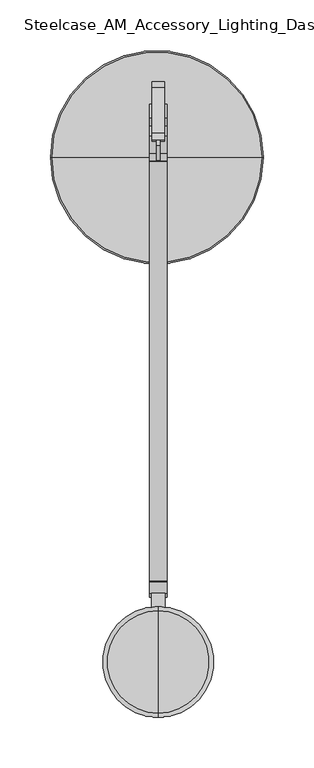
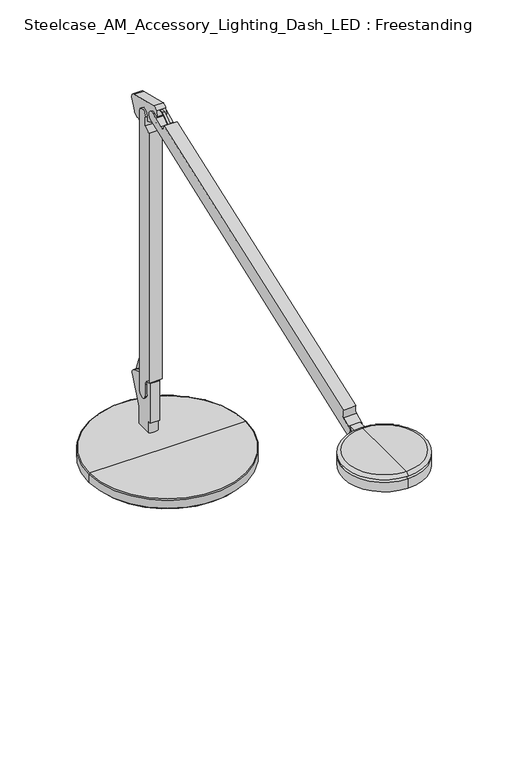
"""IFC4 building model written with IfcOpenShell, lengths in millimetres: furniture geometry, Steelcase_AM_Accessory_Lighting_Dash_LED : Freestanding."""

from ifc_helpers import new_model, si_unit, point, frame, frame_2d, origin, place, context, project, spatial, polyline, circle_curve, ellipse_curve, trimmed, segment, composite_curve, outline, extrude, source, transform, mapped, element, save
from ifc_brep_helpers import plane_surface, cylinder_surface, revolved_surface, advanced_brep


def steelcase_am_accessory_lighting_dash_led_freestanding_17da7cd2(model_context):
    return source(origin(), model_context, "Body", "SolidModel", [
        advanced_brep(
        [(-1.3138173, -113.7487958, 886.9665244), (102.5340827, -113.7487958, 886.9665244), (-105.1617173, -113.7487958, 886.9665244), (-94.3930875, -113.7487958, 868.0005821), (91.7654529, -113.7487958, 868.0005821), (-1.3138173, -113.7487958, 868.0005821), (-94.3930875, -113.7487958, 868.9041479), (91.7654529, -113.7487958, 868.9041479), (-97.207805, -113.7487958, 868.9041479), (94.5801703, -113.7487958, 868.9041479), (-103.7438291, -113.7487958, 871.8141733), (101.1161944, -113.7487958, 871.8141733), (-103.7438291, -113.7487958, 874.6475244), (101.1161944, -113.7487958, 874.6475244), (-106.6446817, -113.7487958, 874.6475244), (104.017047, -113.7487958, 874.6475244), (-106.6446817, -113.7487958, 885.4835601), (104.017047, -113.7487958, 885.4835601)],
        [
            (0, 1),
            (1, 2, circle_curve(frame((-1.3138173, -113.7487958, 886.9665244), z_axis=(0.0, 0.0, 1.0), x_axis=(1.0, 0.0, 0.0)), 103.8479)),
            (2, 0),
            (2, 1, circle_curve(frame((-1.3138173, -113.7487958, 886.9665244), z_axis=(0.0, 0.0, 1.0), x_axis=(1.0, 0.0, 0.0)), 103.8479)),
            (3, 4, circle_curve(frame((-1.3138173, -113.7487958, 868.0005821), z_axis=(0.0, 0.0, -1.0), x_axis=(1.0, 0.0, 0.0)), 93.0792702)),
            (4, 5),
            (5, 3),
            (4, 3, circle_curve(frame((-1.3138173, -113.7487958, 868.0005821), z_axis=(0.0, 0.0, -1.0), x_axis=(1.0, 0.0, 0.0)), 93.0792702)),
            (6, 7, circle_curve(frame((-1.3138173, -113.7487958, 868.9041479), z_axis=(0.0, 0.0, -1.0), x_axis=(1.0, 0.0, 0.0)), 93.0792702)),
            (7, 4),
            (3, 6),
            (7, 6, circle_curve(frame((-1.3138173, -113.7487958, 868.9041479), z_axis=(0.0, 0.0, -1.0), x_axis=(1.0, 0.0, 0.0)), 93.0792702)),
            (8, 9, circle_curve(frame((-1.3138173, -113.7487958, 868.9041479), z_axis=(0.0, 0.0, -1.0), x_axis=(1.0, 0.0, 0.0)), 95.8939876)),
            (9, 7),
            (6, 8),
            (9, 8, circle_curve(frame((-1.3138173, -113.7487958, 868.9041479), z_axis=(0.0, 0.0, -1.0), x_axis=(1.0, 0.0, 0.0)), 95.8939876)),
            (10, 11, circle_curve(frame((-1.3138173, -113.7487958, 871.8141733), z_axis=(0.0, 0.0, -1.0), x_axis=(1.0, 0.0, 0.0)), 102.4300117)),
            (11, 9),
            (8, 10),
            (11, 10, circle_curve(frame((-1.3138173, -113.7487958, 871.8141733), z_axis=(0.0, 0.0, -1.0), x_axis=(1.0, 0.0, 0.0)), 102.4300117)),
            (12, 13, circle_curve(frame((-1.3138173, -113.7487958, 874.6475244), z_axis=(0.0, 0.0, -1.0), x_axis=(1.0, 0.0, 0.0)), 102.4300117)),
            (13, 11),
            (10, 12),
            (13, 12, circle_curve(frame((-1.3138173, -113.7487958, 874.6475244), z_axis=(0.0, 0.0, -1.0), x_axis=(1.0, 0.0, 0.0)), 102.4300117)),
            (14, 15, circle_curve(frame((-1.3138173, -113.7487958, 874.6475244), z_axis=(0.0, 0.0, -1.0), x_axis=(1.0, 0.0, 0.0)), 105.3308643)),
            (15, 13),
            (12, 14),
            (15, 14, circle_curve(frame((-1.3138173, -113.7487958, 874.6475244), z_axis=(0.0, 0.0, -1.0), x_axis=(1.0, 0.0, 0.0)), 105.3308643)),
            (16, 17, circle_curve(frame((-1.3138173, -113.7487958, 885.4835601), z_axis=(0.0, 0.0, -1.0), x_axis=(1.0, 0.0, 0.0)), 105.3308643)),
            (17, 15),
            (14, 16),
            (17, 16, circle_curve(frame((-1.3138173, -113.7487958, 885.4835601), z_axis=(0.0, 0.0, -1.0), x_axis=(1.0, 0.0, 0.0)), 105.3308643)),
            (1, 17, circle_curve(frame((102.5340827, -113.7487958, 885.4835601), z_axis=(0.0, 1.0, 0.0), x_axis=(1.0, 0.0, 0.0)), 1.4829643)),
            (16, 2, circle_curve(frame((-105.1617173, -113.7487958, 885.4835601), z_axis=(0.0, 1.0, 0.0), x_axis=(-1.0, 0.0, 0.0)), 1.4829643)),
        ],
        [
            plane_surface(frame((-1.3138173, -113.7487958, 886.9665244), z_axis=(0.0, 0.0, 1.0), x_axis=(1.0, 0.0, 0.0))),
            plane_surface(frame((-1.3138173, -113.7487958, 868.0005821), z_axis=(0.0, 0.0, -1.0), x_axis=(1.0, 0.0, 0.0))),
            cylinder_surface(frame((-1.3138173, -113.7487958, 893.3165244), z_axis=(0.0, 0.0, 1.0), x_axis=(1.0, 0.0, 0.0)), 93.0792702),
            plane_surface(frame((-1.3138173, -113.7487958, 868.9041479), z_axis=(0.0, 0.0, -1.0), x_axis=(1.0, 0.0, 0.0))),
            revolved_surface(polyline([(94.5801703, -113.7487958, 868.9041479), (101.1161944, -113.7487958, 871.8141733)]), (-1.3138173, -113.7487958, 893.3165244), (0.0, 0.0, 1.0)),
            cylinder_surface(frame((-1.3138173, -113.7487958, 893.3165244), z_axis=(0.0, 0.0, 1.0), x_axis=(1.0, 0.0, 0.0)), 102.4300117),
            plane_surface(frame((-1.3138173, -113.7487958, 874.6475244), z_axis=(0.0, 0.0, -1.0), x_axis=(1.0, 0.0, 0.0))),
            cylinder_surface(frame((-1.3138173, -113.7487958, 893.3165244), z_axis=(0.0, 0.0, 1.0), x_axis=(1.0, 0.0, 0.0)), 105.3308643),
            revolved_surface(trimmed(ellipse_curve(frame((102.5340827, -113.7487958, 885.4835601), z_axis=(0.0, -1.0, 0.0), x_axis=(1.0, 0.0, 0.0)), 1.4829643, 1.4829643), [point((104.017047, -113.7487958, 885.4835601))], [point((102.5340827, -113.7487958, 886.9665244))], True, "CARTESIAN"), (-1.3138173, -113.7487958, 893.3165244), (0.0, 0.0, 1.0)),
        ],
        [
            (0, [[1, 2, 3]]),
            (0, [[-3, 4, -1]]),
            (1, [[5, 6, 7]]),
            (1, [[8, -7, -6]]),
            (2, [[9, 10, -5, 11]]),
            (2, [[12, -11, -8, -10]]),
            (3, [[13, 14, -9, 15]]),
            (3, [[16, -15, -12, -14]]),
            (4, [[17, 18, -13, 19]]),
            (4, [[20, -19, -16, -18]]),
            (5, [[21, 22, -17, 23]]),
            (5, [[24, -23, -20, -22]]),
            (6, [[25, 26, -21, 27]]),
            (6, [[28, -27, -24, -26]]),
            (7, [[29, 30, -25, 31]]),
            (7, [[32, -31, -28, -30]]),
            (8, [[-2, 33, -29, 34]]),
            (8, [[-4, -34, -32, -33]]),
        ],
    ),
        advanced_brep(
        [(-2.7205732, -60.6970314, 1280.5232085), (1.9785586, -60.6970314, 1280.5232085), (1.9175158, -71.5963661, 1280.5232085), (5.0673235, -71.5963661, 1280.5232085), (5.0673235, -60.0819526, 1280.5232085), (-5.7601194, -60.0819526, 1280.5232085), (-5.8093381, -71.5963661, 1280.5232085), (-2.6601118, -71.5963661, 1280.5232085), (-2.7205732, -60.6970314, 990.8676868), (-2.6601118, -71.5963661, 990.8676868), (-5.8093381, -71.5963661, 990.8676868), (-5.8093381, -60.0724751, 990.8676868), (5.0673235, -60.0819526, 990.8676868), (5.0673235, -71.5963661, 990.8676868), (1.9175158, -71.5963661, 990.8676868), (1.9785586, -60.6970314, 990.8676868)],
        [
            (0, 1, circle_curve(frame((-0.3710073, -60.6970314, 1280.5232085), z_axis=(0.0, 0.0, -1.0), x_axis=(1.0, 0.0, 0.0)), 2.3495659)),
            (1, 2),
            (2, 3),
            (3, 4),
            (4, 5, circle_curve(frame((-0.3463979, -60.0819526, 1280.5232085), z_axis=(0.0, 0.0, 1.0), x_axis=(1.0, 0.0, 0.0)), 5.4137215)),
            (5, 6),
            (6, 7),
            (7, 0),
            (8, 9),
            (9, 10),
            (10, 11),
            (11, 12, circle_curve(frame((-0.3463979, -60.0819526, 990.8676868), z_axis=(0.0, 0.0, -1.0), x_axis=(1.0, 0.0, 0.0)), 5.4137215)),
            (12, 13),
            (13, 14),
            (14, 15),
            (15, 8, circle_curve(frame((-0.3710073, -60.6970314, 990.8676868), z_axis=(0.0, 0.0, 1.0), x_axis=(1.0, 0.0, 0.0)), 2.3495659)),
            (0, 8),
            (15, 1),
            (14, 2),
            (13, 3),
            (12, 4),
            (11, 5),
            (10, 6),
            (9, 7),
        ],
        [
            plane_surface(frame((1.9785586, -60.6970314, 1280.5232085), z_axis=(0.0, 0.0, 1.0), x_axis=(0.0, -1.0, 0.0))),
            plane_surface(frame((1.9785586, -60.6970314, 990.8676868), z_axis=(0.0, 0.0, -1.0), x_axis=(0.0, 1.0, 0.0))),
            revolved_surface(polyline([(1.9785586, -60.6970314, 990.8676868), (1.9785586, -60.6970314, 1280.5232085)]), (-0.3710073, -60.6970314, 990.8676868), (0.0, 0.0, -1.0)),
            plane_surface(frame((1.9785586, -60.6970314, 1280.5232085), z_axis=(-0.9999843170233393, 0.005600509563017414, 0.0), x_axis=(0.0, 0.0, -1.0))),
            plane_surface(frame((1.9175158, -71.5963661, 1280.5232085), z_axis=(0.0, -1.0, 0.0), x_axis=(0.0, 0.0, -1.0))),
            plane_surface(frame((5.0673235, -71.5963661, 1280.5232085), z_axis=(1.0, 0.0, 0.0), x_axis=(0.0, 0.0, -1.0))),
            cylinder_surface(frame((-0.3463979, -60.0819526, 990.8676868), z_axis=(0.0, 0.0, 1.0), x_axis=(1.0, 0.0, 0.0)), 5.4137215),
            plane_surface(frame((-5.8093381, -60.0724751, 1280.5232085), z_axis=(-1.0, 0.0, 0.0), x_axis=(0.0, 0.0, -1.0))),
            plane_surface(frame((-5.8093381, -71.5963661, 1280.5232085), z_axis=(0.0, -1.0, 0.0), x_axis=(0.0, 0.0, -1.0))),
            plane_surface(frame((-2.6601118, -71.5963661, 1280.5232085), z_axis=(0.999984614317351, 0.005547173025869674, 0.0), x_axis=(0.0, 0.0, -1.0))),
        ],
        [
            (0, [[1, 2, 3, 4, 5, 6, 7, 8]]),
            (1, [[9, 10, 11, 12, 13, 14, 15, 16]]),
            (2, [[-1, 17, -16, 18]]),
            (3, [[-2, -18, -15, 19]]),
            (4, [[-3, -19, -14, 20]]),
            (5, [[-4, -20, -13, 21]]),
            (6, [[-5, -21, -12, 22]]),
            (7, [[-6, -22, -11, 23]]),
            (8, [[-7, -23, -10, 24]]),
            (9, [[-8, -24, -9, -17]]),
        ],
    ),
        extrude(outline(polyline([(-65.3863553, 990.8120404), (-55.2886405, 990.8120404), (-41.2982154, 953.7822512), (-51.1981926, 954.4889668), (-65.3863553, 990.8120404)])), frame((-1.518321, 0.0, 0.0), z_axis=(1.0, 0.0, 0.0), x_axis=(0.0, 1.0, 0.0)), (0.0, 0.0, 1.0), 2.3620651),
        extrude(outline(polyline([(-57.0984138, 1319.5276591), (-45.5921394, 1322.2234247), (-55.5386253, 1280.5232085), (-65.5891746, 1280.5232085), (-57.0984138, 1319.5276591)])), frame((-1.518321, 0.0, 0.0), z_axis=(1.0, 0.0, 0.0), x_axis=(0.0, 1.0, 0.0)), (0.0, 0.0, 1.0), 2.3620651),
        extrude(outline(polyline([(-81.1968025, 1351.4679697), (-81.1968025, 1350.5047095), (-101.2218133, 1351.2039983), (-127.6570142, 1332.6938714), (-128.4530492, 1333.4899064), (-101.7525568, 1352.1857924), (-81.1968025, 1351.4679697)])), frame((-1.518321, 0.0, 0.0), z_axis=(1.0, 0.0, 0.0), x_axis=(0.0, 1.0, 0.0)), (0.0, 0.0, 1.0), 3.042321),
        extrude(outline(composite_curve([segment(polyline([(-74.5648093, 937.0886966), (-73.9866456, 953.6451374)]), True, "CONTINUOUS"), segment(trimmed(circle_curve(frame_2d((-81.5292112, 953.9085296)), 7.5471631), [point((-73.9866456, 953.6451374))], [point((-81.5292112, 961.4556927))], True, "CARTESIAN"), True, "CONTINUOUS"), segment(polyline([(-81.5292112, 961.4556927), (-83.5101738, 961.4556927), (-83.5101738, 1314.3379447)]), True, "CONTINUOUS"), segment(trimmed(circle_curve(frame_2d((-83.6122872, 1324.9350648)), 10.5976121), [point((-83.5101738, 1314.3379447))], [point((-74.6876907, 1319.220088))], True, "CARTESIAN"), True, "CONTINUOUS"), segment(polyline([(-74.6876907, 1319.220088), (-74.6876907, 1331.2392366)]), True, "CONTINUOUS"), segment(trimmed(circle_curve(frame_2d((-68.1653332, 1332.5632566)), 6.6553871), [point((-74.6876907, 1331.2392366))], [point((-61.6429756, 1331.2392366))], False, "CARTESIAN"), True, "CONTINUOUS"), segment(polyline([(-61.6429756, 1331.2392366), (-61.6429756, 938.6224419)]), True, "CONTINUOUS"), segment(trimmed(circle_curve(frame_2d((-68.1949157, 938.6224419)), 6.5519401), [point((-61.6429756, 938.6224419))], [point((-74.5648093, 937.0886966))], False, "CARTESIAN"), True, "CONTINUOUS")], self_intersect=False)), frame((-8.509, 0.0, 0.0), z_axis=(1.0, 0.0, 0.0), x_axis=(0.0, 1.0, 0.0)), (0.0, 0.0, 1.0), 17.018),
        advanced_brep(
        [(6.223, -78.5886447, 903.0154879), (-6.223, -78.5886447, 903.0154879), (-6.223, -78.5886447, 886.9698914), (6.223, -78.5886447, 886.9698914), (6.223, -56.5546875, 886.9698914), (6.223, -56.5546875, 911.7523831), (6.223, -40.7698797, 947.205642), (6.223, -44.2952569, 955.7166553), (6.223, -71.2714689, 966.0718529), (6.223, -82.0847399, 958.6400977), (6.223, -82.0847399, 903.0154879), (-6.223, -82.0847399, 958.6400977), (-6.223, -71.2714689, 966.0718529), (-6.223, -44.2952569, 955.7166553), (-6.223, -40.7698797, 947.205642), (-6.223, -56.5546875, 911.7523831), (-6.223, -56.5546875, 886.9698914), (-6.223, -82.0847399, 903.0154879)],
        [
            (0, 1, circle_curve(frame((0.0, -63.9841969, 903.0154879), z_axis=(0.0, 0.0, -1.0), x_axis=(-1.0, 0.0, 0.0)), 15.875)),
            (1, 2),
            (2, 3, circle_curve(frame((0.0, -63.9841969, 886.9698914), z_axis=(0.0, 0.0, 1.0), x_axis=(-1.0, 0.0, 0.0)), 15.875)),
            (3, 0),
            (4, 5),
            (5, 6),
            (6, 7, circle_curve(frame((6.223, -46.5708933, 949.7884196), z_axis=(1.0, 0.0, 0.0), x_axis=(0.0, -1.0, 0.0)), 6.35)),
            (7, 8),
            (8, 9, circle_curve(frame((6.223, -74.1242524, 958.6400977), z_axis=(1.0, 0.0, 0.0), x_axis=(0.0, -1.0, 0.0)), 7.9604875)),
            (9, 10),
            (10, 0),
            (3, 4),
            (11, 12, circle_curve(frame((-6.223, -74.1242524, 958.6400977), z_axis=(-1.0, 0.0, 0.0), x_axis=(0.0, -1.0, 0.0)), 7.9604875)),
            (12, 13),
            (13, 14, circle_curve(frame((-6.223, -46.5708933, 949.7884196), z_axis=(-1.0, 0.0, 0.0), x_axis=(0.0, -1.0, 0.0)), 6.35)),
            (14, 15),
            (15, 16),
            (16, 2),
            (1, 17),
            (17, 11),
            (9, 11),
            (17, 10),
            (16, 4),
            (15, 5),
            (14, 6),
            (13, 7),
            (12, 8),
        ],
        [
            cylinder_surface(frame((0.0, -63.9841969, 903.0154879), z_axis=(0.0, 0.0, 1.0), x_axis=(-1.0, 0.0, 0.0)), 15.875),
            plane_surface(frame((6.223, -82.0847399, 886.9698914), z_axis=(1.0, 0.0, 0.0), x_axis=(0.0, 0.0, -1.0))),
            plane_surface(frame((-6.223, -82.0847399, 886.9698914), z_axis=(-1.0, 0.0, 0.0), x_axis=(0.0, 0.0, 1.0))),
            plane_surface(frame((6.223, -82.0847399, 958.6400977), z_axis=(0.0, -1.0, 0.0), x_axis=(-1.0, 0.0, 0.0))),
            plane_surface(frame((6.223, -82.0847399, 886.9698914), z_axis=(0.0, 0.0, -1.0), x_axis=(-1.0, 0.0, 0.0))),
            plane_surface(frame((6.223, -56.5546875, 886.9698914), z_axis=(0.0, 1.0, 0.0), x_axis=(-1.0, 0.0, 0.0))),
            plane_surface(frame((6.223, -56.5546875, 911.7523831), z_axis=(0.0, 0.9135454576426009, -0.4067366430758003), x_axis=(-1.0, 0.0, 0.0))),
            cylinder_surface(frame((-6.223, -46.5708933, 949.7884196), z_axis=(1.0, 0.0, 0.0), x_axis=(0.0, -1.0, 0.0)), 6.35),
            plane_surface(frame((6.223, -44.2952569, 955.7166553), z_axis=(0.0, 0.35836794954530315, 0.9335804264972007), x_axis=(-1.0, 0.0, 0.0))),
            cylinder_surface(frame((-6.223, -74.1242524, 958.6400977), z_axis=(1.0, 0.0, 0.0), x_axis=(0.0, -1.0, 0.0)), 7.9604875),
            plane_surface(frame((-32.548854, -63.9841969, 903.0154879), z_axis=(0.0, 0.0, -1.0), x_axis=(0.0, -1.0, 0.0))),
        ],
        [
            (0, [[1, 2, 3, 4]]),
            (1, [[5, 6, 7, 8, 9, 10, 11, -4, 12]]),
            (2, [[13, 14, 15, 16, 17, 18, -2, 19, 20]]),
            (3, [[21, -20, 22, -10]]),
            (4, [[23, -12, -3, -18]]),
            (5, [[-5, -23, -17, 24]]),
            (6, [[-6, -24, -16, 25]]),
            (7, [[-7, -25, -15, 26]]),
            (8, [[-8, -26, -14, 27]]),
            (9, [[-9, -27, -13, -21]]),
            (10, [[-1, -11, -22, -19]]),
        ],
    ),
        extrude(outline(composite_curve([segment(polyline([(-6.7893575, -544.8549642), (6.7893575, -544.8549642), (6.7893575, -561.4371146)]), True, "CONTINUOUS"), segment(trimmed(circle_curve(frame_2d((0.0, -615.7514202)), 54.737), [point((6.7893575, -561.4371146))], [point((-6.7893575, -561.4371146))], True, "CARTESIAN"), True, "CONTINUOUS"), segment(polyline([(-6.7893575, -561.4371146), (-6.7893575, -544.8549642)]), True, "CONTINUOUS")], self_intersect=False)), frame((0.0, 0.0, 1167.2897555), z_axis=(0.0, 0.0, 1.0), x_axis=(1.0, 0.0, 0.0)), (0.0, 0.0, 1.0), 13.4600101),
        advanced_brep(
        [(0.0, -557.9794807, 1181.5751493), (0.0, -667.4534807, 1181.5751493), (0.0, -663.397426, 1185.3851493), (0.0, -562.0355355, 1185.3851493), (0.0, -575.9679998, 1181.5751493), (0.0, -649.4649617, 1181.5751493), (0.0, -573.3002091, 1177.7651493), (0.0, -652.1327524, 1177.7651493), (0.0, -557.9794807, 1177.7651493), (0.0, -667.4534807, 1177.7651493), (0.0, -557.9794807, 1164.4301493), (0.0, -667.4534807, 1164.4301493), (0.0, -612.7164807, 1164.4301493), (0.0, -612.7164807, 1185.3851493)],
        [
            (0, 1, circle_curve(frame((0.0, -612.7164807, 1181.5751493), z_axis=(0.0, 0.0, 1.0), x_axis=(0.0, -1.0, 0.0)), 54.737)),
            (1, 2, circle_curve(frame((0.0, -663.397426, 1181.3211493), z_axis=(-1.0, 0.0, 0.0), x_axis=(0.0, 1.0, 0.0)), 4.064)),
            (2, 3, circle_curve(frame((0.0, -612.7164807, 1185.3851493), z_axis=(0.0, 0.0, -1.0), x_axis=(0.0, -1.0, 0.0)), 50.6809453)),
            (3, 0, circle_curve(frame((0.0, -562.0355355, 1181.3211493), z_axis=(-1.0, 0.0, 0.0), x_axis=(0.0, -1.0, 0.0)), 4.064)),
            (1, 0, circle_curve(frame((0.0, -612.7164807, 1181.5751493), z_axis=(0.0, 0.0, 1.0), x_axis=(0.0, -1.0, 0.0)), 54.737)),
            (3, 2, circle_curve(frame((0.0, -612.7164807, 1185.3851493), z_axis=(0.0, 0.0, -1.0), x_axis=(0.0, -1.0, 0.0)), 50.6809453)),
            (4, 5, circle_curve(frame((0.0, -612.7164807, 1181.5751493), z_axis=(0.0, 0.0, 1.0), x_axis=(0.0, -1.0, 0.0)), 36.7484809)),
            (5, 1),
            (0, 4),
            (5, 4, circle_curve(frame((0.0, -612.7164807, 1181.5751493), z_axis=(0.0, 0.0, 1.0), x_axis=(0.0, -1.0, 0.0)), 36.7484809)),
            (6, 7, circle_curve(frame((0.0, -612.7164807, 1177.7651493), z_axis=(0.0, 0.0, 1.0), x_axis=(0.0, -1.0, 0.0)), 39.4162717)),
            (7, 5),
            (4, 6),
            (7, 6, circle_curve(frame((0.0, -612.7164807, 1177.7651493), z_axis=(0.0, 0.0, 1.0), x_axis=(0.0, -1.0, 0.0)), 39.4162717)),
            (8, 9, circle_curve(frame((0.0, -612.7164807, 1177.7651493), z_axis=(0.0, 0.0, 1.0), x_axis=(0.0, -1.0, 0.0)), 54.737)),
            (9, 7),
            (6, 8),
            (9, 8, circle_curve(frame((0.0, -612.7164807, 1177.7651493), z_axis=(0.0, 0.0, 1.0), x_axis=(0.0, -1.0, 0.0)), 54.737)),
            (10, 11, circle_curve(frame((0.0, -612.7164807, 1164.4301493), z_axis=(0.0, 0.0, 1.0), x_axis=(0.0, -1.0, 0.0)), 54.737)),
            (11, 9),
            (8, 10),
            (11, 10, circle_curve(frame((0.0, -612.7164807, 1164.4301493), z_axis=(0.0, 0.0, 1.0), x_axis=(0.0, -1.0, 0.0)), 54.737)),
            (12, 11),
            (10, 12),
            (2, 13),
            (13, 3),
        ],
        [
            revolved_surface(trimmed(ellipse_curve(frame((0.0, -663.397426, 1181.3211493), z_axis=(1.0, 0.0, 0.0), x_axis=(0.0, 1.0, 0.0)), 4.064, 4.064), [point((0.0, -663.397426, 1185.3851493))], [point((0.0, -667.4534807, 1181.5751493))], True, "CARTESIAN"), (0.0, -612.7164807, 1185.3851493), (0.0, 0.0, -1.0)),
            plane_surface(frame((0.0, -612.7164807, 1181.5751493), z_axis=(0.0, 0.0, -1.0), x_axis=(0.0, -1.0, 0.0))),
            revolved_surface(polyline([(0.0, -649.4649617, 1181.5751493), (0.0, -652.1327524, 1177.7651493)]), (0.0, -612.7164807, 1185.3851493), (0.0, 0.0, -1.0)),
            plane_surface(frame((0.0, -612.7164807, 1177.7651493), z_axis=(0.0, 0.0, 1.0), x_axis=(0.0, -1.0, 0.0))),
            cylinder_surface(frame((0.0, -612.7164807, 1185.3851493), z_axis=(0.0, 0.0, -1.0), x_axis=(0.0, -1.0, 0.0)), 54.737),
            plane_surface(frame((0.0, -612.7164807, 1164.4301493), z_axis=(0.0, 0.0, -1.0), x_axis=(0.0, -1.0, 0.0))),
            plane_surface(frame((0.0, -612.7164807, 1185.3851493), z_axis=(0.0, 0.0, 1.0), x_axis=(0.0, -1.0, 0.0))),
        ],
        [
            (0, [[1, 2, 3, 4]]),
            (0, [[5, -4, 6, -2]]),
            (1, [[7, 8, -1, 9]]),
            (1, [[10, -9, -5, -8]]),
            (2, [[11, 12, -7, 13]]),
            (2, [[14, -13, -10, -12]]),
            (3, [[15, 16, -11, 17]]),
            (3, [[18, -17, -14, -16]]),
            (4, [[19, 20, -15, 21]]),
            (4, [[22, -21, -18, -20]]),
            (5, [[23, -19, 24]]),
            (5, [[-24, -22, -23]]),
            (6, [[-3, 25, 26]]),
            (6, [[-6, -26, -25]]),
        ],
    ),
        extrude(outline(composite_curve([segment(polyline([(-74.6876907, 1325.0660994), (-91.7807339, 1332.5175248)]), True, "CONTINUOUS"), segment(trimmed(circle_curve(frame_2d((-87.3211267, 1342.7475483)), 11.1598153), [point((-91.7807339, 1332.5175248))], [point((-98.1644738, 1345.3863552))], False, "CARTESIAN"), True, "CONTINUOUS"), segment(polyline([(-98.1644738, 1345.3863552), (-96.3335285, 1352.9100492)]), True, "CONTINUOUS"), segment(trimmed(circle_curve(frame_2d((-91.157557, 1350.3493921)), 5.774742), [point((-96.3335285, 1352.9100492))], [point((-89.7920838, 1355.9603749))], False, "CARTESIAN"), True, "CONTINUOUS"), segment(polyline([(-89.7920838, 1355.9603749), (-44.7607948, 1345.0016855)]), True, "CONTINUOUS"), segment(trimmed(circle_curve(frame_2d((-46.4441906, 1338.0842995)), 7.1192733), [point((-44.7607948, 1345.0016855))], [point((-39.9180671, 1335.2393454))], False, "CARTESIAN"), True, "CONTINUOUS"), segment(polyline([(-39.9180671, 1335.2393454), (-45.5921394, 1322.2234247)]), True, "CONTINUOUS"), segment(trimmed(circle_curve(frame_2d((-53.528879, 1325.6833132)), 8.6580982), [point((-45.5921394, 1322.2234247))], [point((-57.3848008, 1317.931247))], False, "CARTESIAN"), True, "CONTINUOUS"), segment(polyline([(-57.3848008, 1317.931247), (-61.4869966, 1319.9717025), (-61.4869966, 1332.4672712)]), True, "CONTINUOUS"), segment(trimmed(circle_curve(frame_2d((-68.0907541, 1332.6821255)), 6.6072517), [point((-61.4869966, 1332.4672712))], [point((-74.6876907, 1333.051182))], True, "CARTESIAN"), True, "CONTINUOUS"), segment(polyline([(-74.6876907, 1333.051182), (-74.6876907, 1325.0660994)]), True, "CONTINUOUS")], self_intersect=False)), frame((-6.223, 0.0, 0.0), z_axis=(1.0, 0.0, 0.0), x_axis=(0.0, 1.0, 0.0)), (0.0, 0.0, 1.0), 12.446),
        extrude(outline(composite_curve([segment(trimmed(circle_curve(frame_2d((-541.801353, 1174.2773586)), 6.688971), [point((-538.9744702, 1168.2150927))], [point((-544.6282357, 1180.3396244))], False, "CARTESIAN"), True, "CONTINUOUS"), segment(polyline([(-544.6282357, 1180.3396244), (-533.3631432, 1185.5926266)]), True, "CONTINUOUS"), segment(trimmed(circle_curve(frame_2d((-540.6928934, 1191.2457491)), 9.256513), [point((-533.3631432, 1185.5926266))], [point((-532.5213758, 1195.5942354))], True, "CARTESIAN"), True, "CONTINUOUS"), segment(polyline([(-532.5213758, 1195.5942354), (-118.5153249, 1345.5960434), (-117.2435816, 1342.0860229)]), True, "CONTINUOUS"), segment(trimmed(circle_curve(frame_2d((-112.0659507, 1344.5003933)), 5.7128842), [point((-117.2435816, 1342.0860229))], [point((-109.6515803, 1339.3227624))], True, "CARTESIAN"), True, "CONTINUOUS"), segment(polyline([(-109.6515803, 1339.3227624), (-92.783242, 1347.1886026)]), True, "CONTINUOUS"), segment(trimmed(circle_curve(frame_2d((-89.9591686, 1341.1323614)), 6.6823235), [point((-92.783242, 1347.1886026))], [point((-87.1350953, 1335.0761203))], False, "CARTESIAN"), True, "CONTINUOUS"), segment(polyline([(-87.1350953, 1335.0761203), (-538.9744702, 1168.2150927)]), True, "CONTINUOUS")], self_intersect=False)), frame((-8.509, 0.0, 0.0), z_axis=(1.0, 0.0, 0.0), x_axis=(0.0, 1.0, 0.0)), (0.0, 0.0, 1.0), 17.018),
    ])


if __name__ == "__main__":
    model = new_model("IFC4")
    model_context = context("Model", 3, world=origin())
    ifc_project = project(units=[si_unit("LENGTHUNIT", "METRE", prefix="MILLI")], contexts=[model_context])
    site = spatial("IfcSite", under=ifc_project)
    building = spatial("IfcBuilding", under=site)
    placement = place(None, origin())
    steelcase_am_accessory_lighting_dash_led_freestanding_shape = steelcase_am_accessory_lighting_dash_led_freestanding_17da7cd2(model_context)
    element("IfcFurniture", 1, ObjectType="Steelcase_AM_Accessory_Lighting_Dash_LED : Freestanding", at=placement, inside=building, context=model_context, shape_type="MappedRepresentation", body=[
        mapped(steelcase_am_accessory_lighting_dash_led_freestanding_shape, transform((0.0, 0.0, 0.0), x_axis=(1.0, 0.0, 0.0), y_axis=(0.0, 1.0, 0.0), z_axis=(0.0, 0.0, 1.0))),
    ])
    save(model, "model.ifc")
